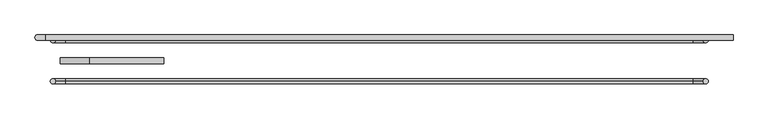
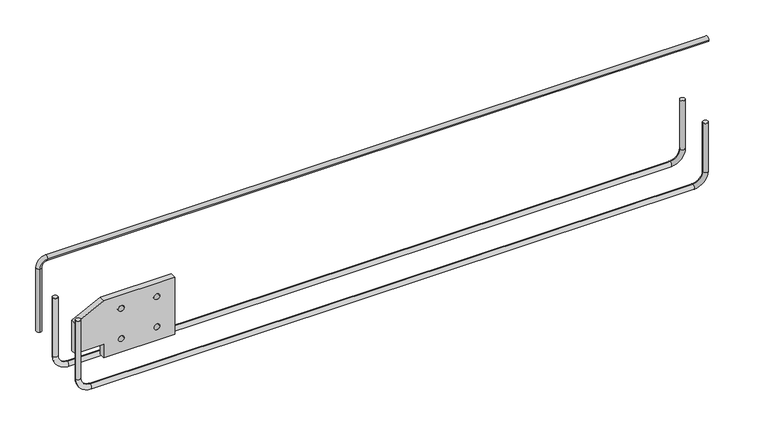
"""IFC4 building model written with IfcOpenShell, lengths in millimetres: proxy geometry."""

from ifc_helpers import new_model, si_unit, point, frame, frame_2d, origin, place, context, project, spatial, polyline, circle_curve, ellipse_curve, trimmed, segment, composite_curve, outline, extrude, source, transform, mapped, element, save
from ifc_brep_helpers import plane_surface, cylinder_surface, revolved_surface, advanced_brep


def generic_models_f84e514d(model_context):
    return source(origin(), model_context, "Body", "SolidModel", [
        advanced_brep(
        [(1133.8805021, 55.1206462, 217.0067738), (1147.8805021, 55.1206462, 217.0067738), (-618.0, 55.1206462, 247.0067738), (-632.0, 55.1206462, 247.0067738), (1105.8805021, 55.1206462, 30.0067738), (1105.8805021, 55.1206462, 44.0067738), (-590.0, 55.1206462, 44.0067738), (-590.0, 55.1206462, 30.0067738), (1133.8805021, 55.1206462, 72.0067738), (1147.8805021, 55.1206462, 72.0067738), (-632.0, 55.1206462, 72.0067738), (-618.0, 55.1206462, 72.0067738)],
        [
            (0, 1, circle_curve(frame((1140.8805021, 55.1206462, 217.0067738), z_axis=(0.0, 0.0, 1.0), x_axis=(1.0, 0.0, 0.0)), 7.0)),
            (1, 0, circle_curve(frame((1140.8805021, 55.1206462, 217.0067738), z_axis=(0.0, 0.0, 1.0), x_axis=(1.0, 0.0, 0.0)), 7.0)),
            (2, 3, circle_curve(frame((-625.0, 55.1206462, 247.0067738), z_axis=(0.0, 0.0, 1.0), x_axis=(-1.0, 0.0, 0.0)), 7.0)),
            (3, 2, circle_curve(frame((-625.0, 55.1206462, 247.0067738), z_axis=(0.0, 0.0, 1.0), x_axis=(-1.0, 0.0, 0.0)), 7.0)),
            (4, 5, circle_curve(frame((1105.8805021, 55.1206462, 37.0067738), z_axis=(-1.0, 0.0, 0.0), x_axis=(0.0, 0.0, -1.0)), 7.0)),
            (5, 6),
            (6, 7, circle_curve(frame((-590.0, 55.1206462, 37.0067738), z_axis=(1.0, 0.0, 0.0), x_axis=(0.0, 0.0, -1.0)), 7.0)),
            (7, 4),
            (5, 4, circle_curve(frame((1105.8805021, 55.1206462, 37.0067738), z_axis=(-1.0, 0.0, 0.0), x_axis=(0.0, 0.0, -1.0)), 7.0)),
            (7, 6, circle_curve(frame((-590.0, 55.1206462, 37.0067738), z_axis=(1.0, 0.0, 0.0), x_axis=(0.0, 0.0, -1.0)), 7.0)),
            (0, 8),
            (8, 9, circle_curve(frame((1140.8805021, 55.1206462, 72.0067738), z_axis=(0.0, 0.0, 1.0), x_axis=(1.0, 0.0, 0.0)), 7.0)),
            (9, 1),
            (9, 8, circle_curve(frame((1140.8805021, 55.1206462, 72.0067738), z_axis=(0.0, 0.0, 1.0), x_axis=(1.0, 0.0, 0.0)), 7.0)),
            (4, 9, circle_curve(frame((1105.8805021, 55.1206462, 72.0067738), z_axis=(0.0, -1.0, 0.0), x_axis=(1.0, 0.0, 0.0)), 42.0)),
            (8, 5, circle_curve(frame((1105.8805021, 55.1206462, 72.0067738), z_axis=(0.0, 1.0, 0.0), x_axis=(1.0, 0.0, 0.0)), 28.0)),
            (10, 7, circle_curve(frame((-590.0, 55.1206462, 72.0067738), z_axis=(0.0, -1.0, 0.0), x_axis=(0.0, 0.0, -1.0)), 42.0)),
            (6, 11, circle_curve(frame((-590.0, 55.1206462, 72.0067738), z_axis=(0.0, 1.0, 0.0), x_axis=(0.0, 0.0, -1.0)), 28.0)),
            (11, 10, circle_curve(frame((-625.0, 55.1206462, 72.0067738), z_axis=(0.0, 0.0, -1.0), x_axis=(-1.0, 0.0, 0.0)), 7.0)),
            (10, 11, circle_curve(frame((-625.0, 55.1206462, 72.0067738), z_axis=(0.0, 0.0, -1.0), x_axis=(-1.0, 0.0, 0.0)), 7.0)),
            (11, 2),
            (3, 10),
        ],
        [
            plane_surface(frame((1140.8805021, 55.1206462, 217.0067738), z_axis=(0.0, 0.0, 1.0), x_axis=(0.0, -1.0, 0.0))),
            plane_surface(frame((-625.0, 55.1206462, 247.0067738), z_axis=(0.0, 0.0, 1.0), x_axis=(0.0, -1.0, 0.0))),
            cylinder_surface(frame((1105.8805021, 55.1206462, 37.0067738), z_axis=(1.0, 0.0, 0.0), x_axis=(0.0, 0.0, -1.0)), 7.0),
            cylinder_surface(frame((1140.8805021, 55.1206462, 217.0067738), z_axis=(0.0, 0.0, 1.0), x_axis=(1.0, 0.0, 0.0)), 7.0),
            revolved_surface(trimmed(ellipse_curve(frame((1140.8805021, 55.1206462, 72.0067738), z_axis=(0.0, 0.0, 1.0), x_axis=(1.0, 0.0, 0.0)), 7.0, 7.0), [point((1133.8805021, 55.1206462, 72.0067738))], [point((1147.8805021, 55.1206462, 72.0067738))], True, "CARTESIAN"), (1105.8805021, 55.1206462, 72.0067738), (0.0, 1.0, 0.0)),
            revolved_surface(trimmed(ellipse_curve(frame((1140.8805021, 55.1206462, 72.0067738), z_axis=(0.0, 0.0, 1.0), x_axis=(1.0, 0.0, 0.0)), 7.0, 7.0), [point((1147.8805021, 55.1206462, 72.0067738))], [point((1133.8805021, 55.1206462, 72.0067738))], True, "CARTESIAN"), (1105.8805021, 55.1206462, 72.0067738), (0.0, 1.0, 0.0)),
            revolved_surface(trimmed(ellipse_curve(frame((-590.0, 55.1206462, 37.0067738), z_axis=(1.0, 0.0, 0.0), x_axis=(0.0, 0.0, -1.0)), 7.0, 7.0), [point((-590.0, 55.1206462, 44.0067738))], [point((-590.0, 55.1206462, 30.0067738))], True, "CARTESIAN"), (-590.0, 55.1206462, 72.0067738), (0.0, 1.0, 0.0)),
            revolved_surface(trimmed(ellipse_curve(frame((-590.0, 55.1206462, 37.0067738), z_axis=(1.0, 0.0, 0.0), x_axis=(0.0, 0.0, -1.0)), 7.0, 7.0), [point((-590.0, 55.1206462, 30.0067738))], [point((-590.0, 55.1206462, 44.0067738))], True, "CARTESIAN"), (-590.0, 55.1206462, 72.0067738), (0.0, 1.0, 0.0)),
            cylinder_surface(frame((-625.0, 55.1206462, 72.0067738), z_axis=(0.0, 0.0, -1.0), x_axis=(-1.0, 0.0, 0.0)), 7.0),
        ],
        [
            (0, [[1, 2]]),
            (1, [[3, 4]]),
            (2, [[5, 6, 7, 8]]),
            (2, [[9, -8, 10, -6]]),
            (3, [[-1, 11, 12, 13]]),
            (3, [[-2, -13, 14, -11]]),
            (4, [[15, -12, 16, -5]]),
            (5, [[-16, -14, -15, -9]]),
            (6, [[17, -7, 18, 19]]),
            (7, [[-18, -10, -17, 20]]),
            (8, [[-19, 21, -4, 22]]),
            (8, [[-20, -22, -3, -21]]),
        ],
    ),
        advanced_brep(
        [(1215.0, 55.3729933, 367.0), (1215.0, 69.3729933, 367.0), (-645.0, 55.3729933, 367.0), (-645.0, 69.3729933, 367.0), (-666.8054854, 69.3729933, 345.1945146), (-666.8054854, 55.3729933, 345.1945146), (-666.8054854, 55.3729933, 157.0), (-666.8054854, 69.3729933, 157.0)],
        [
            (0, 1, circle_curve(frame((1215.0, 62.3729933, 367.0), z_axis=(1.0, 0.0, 0.0), x_axis=(0.0, 1.0, 0.0)), 7.0)),
            (1, 0, circle_curve(frame((1215.0, 62.3729933, 367.0), z_axis=(1.0, 0.0, 0.0), x_axis=(0.0, 1.0, 0.0)), 7.0)),
            (0, 2),
            (2, 3, circle_curve(frame((-645.0, 62.3729933, 367.0), z_axis=(1.0, 0.0, 0.0), x_axis=(0.0, 1.0, 0.0)), 7.0)),
            (3, 1),
            (3, 2, circle_curve(frame((-645.0, 62.3729933, 367.0), z_axis=(1.0, 0.0, 0.0), x_axis=(0.0, 1.0, 0.0)), 7.0)),
            (4, 3, circle_curve(frame((-645.0, 69.3729933, 345.1945146), z_axis=(0.0, 1.0, 0.0), x_axis=(0.0, 0.0, 1.0)), 21.8054854)),
            (2, 5, circle_curve(frame((-645.0, 55.3729933, 345.1945146), z_axis=(0.0, -1.0, 0.0), x_axis=(0.0, 0.0, 1.0)), 21.8054854)),
            (5, 4, circle_curve(frame((-666.8054854, 62.3729933, 345.1945146), z_axis=(0.0, 0.0, 1.0), x_axis=(0.0, 1.0, 0.0)), 7.0)),
            (4, 5, circle_curve(frame((-666.8054854, 62.3729933, 345.1945146), z_axis=(0.0, 0.0, 1.0), x_axis=(0.0, 1.0, 0.0)), 7.0)),
            (6, 7, circle_curve(frame((-666.8054854, 62.3729933, 157.0), z_axis=(0.0, 0.0, -1.0), x_axis=(0.0, 1.0, 0.0)), 7.0)),
            (7, 6, circle_curve(frame((-666.8054854, 62.3729933, 157.0), z_axis=(0.0, 0.0, -1.0), x_axis=(0.0, 1.0, 0.0)), 7.0)),
            (5, 6),
            (7, 4),
        ],
        [
            plane_surface(frame((1215.0, 0.0, 367.0), z_axis=(1.0, 0.0, 0.0), x_axis=(0.0, -1.0, 0.0))),
            cylinder_surface(frame((1215.0, 62.3729933, 367.0), z_axis=(1.0, 0.0, 0.0), x_axis=(0.0, 1.0, 0.0)), 7.0),
            revolved_surface(trimmed(ellipse_curve(frame((-645.0, 62.3729933, 367.0), z_axis=(1.0, 0.0, 0.0), x_axis=(0.0, 1.0, 0.0)), 7.0, 7.0), [point((-645.0, 55.3729933, 367.0))], [point((-645.0, 69.3729933, 367.0))], True, "CARTESIAN"), (-645.0, 0.0, 345.1945146), (0.0, -1.0, 0.0)),
            revolved_surface(trimmed(ellipse_curve(frame((-645.0, 62.3729933, 367.0), z_axis=(1.0, 0.0, 0.0), x_axis=(0.0, 1.0, 0.0)), 7.0, 7.0), [point((-645.0, 69.3729933, 367.0))], [point((-645.0, 55.3729933, 367.0))], True, "CARTESIAN"), (-645.0, 0.0, 345.1945146), (0.0, -1.0, 0.0)),
            plane_surface(frame((-666.8054854, 0.0, 157.0), z_axis=(0.0, 0.0, -1.0), x_axis=(0.0, -1.0, 0.0))),
            cylinder_surface(frame((-666.8054854, 62.3729933, 345.1945146), z_axis=(0.0, 0.0, 1.0), x_axis=(0.0, 1.0, 0.0)), 7.0),
        ],
        [
            (0, [[1, 2]]),
            (1, [[-1, 3, 4, 5]]),
            (1, [[-2, -5, 6, -3]]),
            (2, [[7, -4, 8, 9]]),
            (3, [[-8, -6, -7, 10]]),
            (4, [[11, 12]]),
            (5, [[-9, 13, -12, 14]]),
            (5, [[-10, -14, -11, -13]]),
        ],
    ),
        advanced_brep(
        [(1133.8805021, -56.299553, 217.0067738), (1147.8805021, -56.299553, 217.0067738), (-618.0, -56.299553, 247.0067738), (-632.0, -56.299553, 247.0067738), (1105.8805021, -56.299553, 30.0067738), (1105.8805021, -56.299553, 44.0067738), (-590.0, -56.299553, 44.0067738), (-590.0, -56.299553, 30.0067738), (1133.8805021, -56.299553, 72.0067738), (1147.8805021, -56.299553, 72.0067738), (-632.0, -56.299553, 72.0067738), (-618.0, -56.299553, 72.0067738)],
        [
            (0, 1, circle_curve(frame((1140.8805021, -56.299553, 217.0067738), z_axis=(0.0, 0.0, 1.0), x_axis=(1.0, 0.0, 0.0)), 7.0)),
            (1, 0, circle_curve(frame((1140.8805021, -56.299553, 217.0067738), z_axis=(0.0, 0.0, 1.0), x_axis=(1.0, 0.0, 0.0)), 7.0)),
            (2, 3, circle_curve(frame((-625.0, -56.299553, 247.0067738), z_axis=(0.0, 0.0, 1.0), x_axis=(-1.0, 0.0, 0.0)), 7.0)),
            (3, 2, circle_curve(frame((-625.0, -56.299553, 247.0067738), z_axis=(0.0, 0.0, 1.0), x_axis=(-1.0, 0.0, 0.0)), 7.0)),
            (4, 5, circle_curve(frame((1105.8805021, -56.299553, 37.0067738), z_axis=(-1.0, 0.0, 0.0), x_axis=(0.0, 0.0, -1.0)), 7.0)),
            (5, 6),
            (6, 7, circle_curve(frame((-590.0, -56.299553, 37.0067738), z_axis=(1.0, 0.0, 0.0), x_axis=(0.0, 0.0, -1.0)), 7.0)),
            (7, 4),
            (5, 4, circle_curve(frame((1105.8805021, -56.299553, 37.0067738), z_axis=(-1.0, 0.0, 0.0), x_axis=(0.0, 0.0, -1.0)), 7.0)),
            (7, 6, circle_curve(frame((-590.0, -56.299553, 37.0067738), z_axis=(1.0, 0.0, 0.0), x_axis=(0.0, 0.0, -1.0)), 7.0)),
            (0, 8),
            (8, 9, circle_curve(frame((1140.8805021, -56.299553, 72.0067738), z_axis=(0.0, 0.0, 1.0), x_axis=(1.0, 0.0, 0.0)), 7.0)),
            (9, 1),
            (9, 8, circle_curve(frame((1140.8805021, -56.299553, 72.0067738), z_axis=(0.0, 0.0, 1.0), x_axis=(1.0, 0.0, 0.0)), 7.0)),
            (4, 9, circle_curve(frame((1105.8805021, -56.299553, 72.0067738), z_axis=(0.0, -1.0, 0.0), x_axis=(1.0, 0.0, 0.0)), 42.0)),
            (8, 5, circle_curve(frame((1105.8805021, -56.299553, 72.0067738), z_axis=(0.0, 1.0, 0.0), x_axis=(1.0, 0.0, 0.0)), 28.0)),
            (10, 7, circle_curve(frame((-590.0, -56.299553, 72.0067738), z_axis=(0.0, -1.0, 0.0), x_axis=(0.0, 0.0, -1.0)), 42.0)),
            (6, 11, circle_curve(frame((-590.0, -56.299553, 72.0067738), z_axis=(0.0, 1.0, 0.0), x_axis=(0.0, 0.0, -1.0)), 28.0)),
            (11, 10, circle_curve(frame((-625.0, -56.299553, 72.0067738), z_axis=(0.0, 0.0, -1.0), x_axis=(-1.0, 0.0, 0.0)), 7.0)),
            (10, 11, circle_curve(frame((-625.0, -56.299553, 72.0067738), z_axis=(0.0, 0.0, -1.0), x_axis=(-1.0, 0.0, 0.0)), 7.0)),
            (11, 2),
            (3, 10),
        ],
        [
            plane_surface(frame((1140.8805021, -56.299553, 217.0067738), z_axis=(0.0, 0.0, 1.0), x_axis=(0.0, -1.0, 0.0))),
            plane_surface(frame((-625.0, -56.299553, 247.0067738), z_axis=(0.0, 0.0, 1.0), x_axis=(0.0, -1.0, 0.0))),
            cylinder_surface(frame((1105.8805021, -56.299553, 37.0067738), z_axis=(1.0, 0.0, 0.0), x_axis=(0.0, 0.0, -1.0)), 7.0),
            cylinder_surface(frame((1140.8805021, -56.299553, 217.0067738), z_axis=(0.0, 0.0, 1.0), x_axis=(1.0, 0.0, 0.0)), 7.0),
            revolved_surface(trimmed(ellipse_curve(frame((1140.8805021, -56.299553, 72.0067738), z_axis=(0.0, 0.0, 1.0), x_axis=(1.0, 0.0, 0.0)), 7.0, 7.0), [point((1133.8805021, -56.299553, 72.0067738))], [point((1147.8805021, -56.299553, 72.0067738))], True, "CARTESIAN"), (1105.8805021, -56.299553, 72.0067738), (0.0, 1.0, 0.0)),
            revolved_surface(trimmed(ellipse_curve(frame((1140.8805021, -56.299553, 72.0067738), z_axis=(0.0, 0.0, 1.0), x_axis=(1.0, 0.0, 0.0)), 7.0, 7.0), [point((1147.8805021, -56.299553, 72.0067738))], [point((1133.8805021, -56.299553, 72.0067738))], True, "CARTESIAN"), (1105.8805021, -56.299553, 72.0067738), (0.0, 1.0, 0.0)),
            revolved_surface(trimmed(ellipse_curve(frame((-590.0, -56.299553, 37.0067738), z_axis=(1.0, 0.0, 0.0), x_axis=(0.0, 0.0, -1.0)), 7.0, 7.0), [point((-590.0, -56.299553, 44.0067738))], [point((-590.0, -56.299553, 30.0067738))], True, "CARTESIAN"), (-590.0, -56.299553, 72.0067738), (0.0, 1.0, 0.0)),
            revolved_surface(trimmed(ellipse_curve(frame((-590.0, -56.299553, 37.0067738), z_axis=(1.0, 0.0, 0.0), x_axis=(0.0, 0.0, -1.0)), 7.0, 7.0), [point((-590.0, -56.299553, 30.0067738))], [point((-590.0, -56.299553, 44.0067738))], True, "CARTESIAN"), (-590.0, -56.299553, 72.0067738), (0.0, 1.0, 0.0)),
            cylinder_surface(frame((-625.0, -56.299553, 72.0067738), z_axis=(0.0, 0.0, -1.0), x_axis=(-1.0, 0.0, 0.0)), 7.0),
        ],
        [
            (0, [[1, 2]]),
            (1, [[3, 4]]),
            (2, [[5, 6, 7, 8]]),
            (2, [[9, -8, 10, -6]]),
            (3, [[-1, 11, 12, 13]]),
            (3, [[-2, -13, 14, -11]]),
            (4, [[15, -12, 16, -5]]),
            (5, [[-16, -14, -15, -9]]),
            (6, [[17, -7, 18, 19]]),
            (7, [[-18, -10, -17, 20]]),
            (8, [[-19, 21, -4, 22]]),
            (8, [[-20, -22, -3, -21]]),
        ],
    ),
        extrude(outline(polyline([(199.0, -605.0), (109.0, -605.0), (109.0, -525.0), (69.579261, -525.0), (69.579261, -325.0), (239.0, -325.0), (239.0, -525.0), (199.0, -605.0)]), holes=[composite_curve([segment(trimmed(circle_curve(frame_2d((199.0, -475.1865202)), 8.0), [point((199.0, -483.1865202))], [point((199.0, -467.1865202))], True, "CARTESIAN"), True, "CONTINUOUS"), segment(trimmed(circle_curve(frame_2d((199.0, -475.1865202)), 8.0), [point((199.0, -467.1865202))], [point((199.0, -483.1865202))], True, "CARTESIAN"), True, "CONTINUOUS")], self_intersect=False), composite_curve([segment(trimmed(circle_curve(frame_2d((199.0, -375.0)), 8.0), [point((199.0, -383.0))], [point((199.0, -367.0))], True, "CARTESIAN"), True, "CONTINUOUS"), segment(trimmed(circle_curve(frame_2d((199.0, -375.0)), 8.0), [point((199.0, -367.0))], [point((199.0, -383.0))], True, "CARTESIAN"), True, "CONTINUOUS")], self_intersect=False), composite_curve([segment(trimmed(circle_curve(frame_2d((109.0, -475.1865202)), 8.0), [point((109.0, -483.1865202))], [point((109.0, -467.1865202))], True, "CARTESIAN"), True, "CONTINUOUS"), segment(trimmed(circle_curve(frame_2d((109.0, -475.1865202)), 8.0), [point((109.0, -467.1865202))], [point((109.0, -483.1865202))], True, "CARTESIAN"), True, "CONTINUOUS")], self_intersect=False), composite_curve([segment(trimmed(circle_curve(frame_2d((109.0, -375.0)), 8.0), [point((109.0, -383.0))], [point((109.0, -367.0))], True, "CARTESIAN"), True, "CONTINUOUS"), segment(trimmed(circle_curve(frame_2d((109.0, -375.0)), 8.0), [point((109.0, -367.0))], [point((109.0, -383.0))], True, "CARTESIAN"), True, "CONTINUOUS")], self_intersect=False)]), frame((0.0, -8.0, 0.0), z_axis=(0.0, 1.0, 0.0), x_axis=(0.0, 0.0, 1.0)), (0.0, 0.0, 1.0), 16.0),
    ])


if __name__ == "__main__":
    model = new_model("IFC4")
    model_context = context("Model", 3, world=origin())
    ifc_project = project(units=[si_unit("LENGTHUNIT", "METRE", prefix="MILLI")], contexts=[model_context])
    site = spatial("IfcSite", under=ifc_project)
    building = spatial("IfcBuilding", under=site)
    placement = place(None, origin())
    generic_models_shape = generic_models_f84e514d(model_context)
    element("IfcBuildingElementProxy", 1, Name="Generic Models", at=placement, inside=building, context=model_context, shape_type="MappedRepresentation", body=[
        mapped(generic_models_shape, transform((0.0, 0.0, 0.0), x_axis=(1.0, 0.0, 0.0), y_axis=(0.0, 1.0, 0.0), z_axis=(0.0, 0.0, 1.0))),
    ])
    save(model, "model.ifc")
